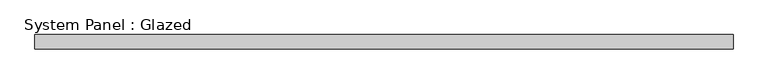
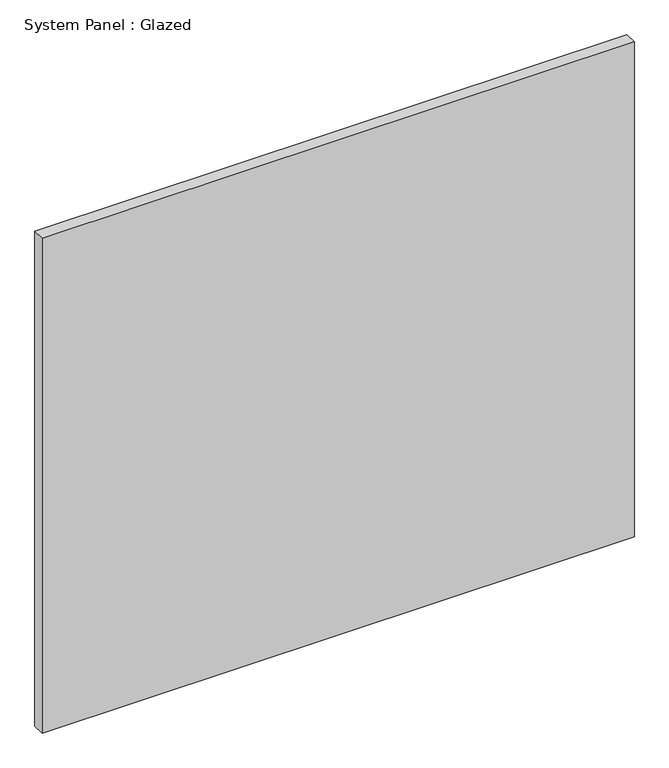
"""IFC4 building model written with IfcOpenShell, lengths in millimetres: plate geometry, System Panel : Glazed."""

import ifcopenshell
import ifcopenshell.guid

model = None  # the IFC model being written
_history = None  # IfcOwnerHistory: only IFC2X3 demands one
_inside = {}  # id of a spatial element -> (the spatial element, [elements in it])
_under = {}  # id of a project, library or spatial element -> (it, [spatial elements below it])
_declared = {}  # id of a project -> (the project, [libraries it declares])
_typed = {}  # id of a type object -> (the type object, [elements of that type])
_made_of = {}  # id of a material, layer set ... -> (it, [elements and type objects made of it])


def new_model(schema):
    """Start an empty IFC model of exactly this schema.

    Asked for "IFC4X3", IfcOpenShell would pick the latest addendum, in which some entities
    have other attributes; the version numbers below select the first issue.
    IFC2X3 requires an IfcOwnerHistory on every rooted entity: one is made here for all.
    """
    global model, _history
    if schema == "IFC4X3":
        model = ifcopenshell.file(schema_version=(4, 3, 0, 0))
    else:
        model = ifcopenshell.file(schema=schema)
    _inside.clear()
    _under.clear()
    _declared.clear()
    _typed.clear()
    _made_of.clear()
    _history = None
    if model.schema == "IFC2X3":
        org = make("IfcOrganization", Name="unknown")
        user = make(
            "IfcPersonAndOrganization",
            ThePerson=make("IfcPerson", FamilyName="unknown"),
            TheOrganization=org,
        )
        app = make(
            "IfcApplication",
            ApplicationDeveloper=org,
            Version="unknown",
            ApplicationFullName="unknown",
            ApplicationIdentifier="unknown",
        )
        _history = make(
            "IfcOwnerHistory",
            OwningUser=user,
            OwningApplication=app,
            ChangeAction="ADDED",
            CreationDate=0,
        )
    return model


def make(cls, **values):
    """One entity of the class cls with the attributes given. An attribute that is None is left unset."""
    return model.create_entity(
        cls, **{name: value for name, value in values.items() if value is not None}
    )


def rooted(cls, **values):
    """An entity with a GlobalId (a new one), such as an element, a storey or a relation."""
    return make(cls, GlobalId=ifcopenshell.guid.new(), OwnerHistory=_history, **values)


def si_unit(unit_type, name, prefix=None):
    """IfcSIUnit, for example si_unit("LENGTHUNIT", "METRE", prefix="MILLI")."""
    return make("IfcSIUnit", UnitType=unit_type, Prefix=prefix, Name=name)


def assignment(units):
    """IfcUnitAssignment: the units of a project."""
    return None if units is None else make("IfcUnitAssignment", Units=units)


def point(xyz):
    """IfcCartesianPoint."""
    return None if xyz is None else make("IfcCartesianPoint", Coordinates=xyz)


def direction(xyz):
    """IfcDirection."""
    return None if xyz is None else make("IfcDirection", DirectionRatios=xyz)


def frame(location, z_axis=None, x_axis=None):
    """IfcAxis2Placement3D, a coordinate frame: its origin and axes. An axis left out is left unset."""
    return make(
        "IfcAxis2Placement3D",
        Location=point(location),
        Axis=direction(z_axis),
        RefDirection=direction(x_axis),
    )


def origin():
    """The frame at (0, 0, 0) with its axes left unset."""
    return frame((0.0, 0.0, 0.0))


def origin_with_axes():
    """The frame at (0, 0, 0) with the z axis (0, 0, 1) and the x axis (1, 0, 0) written out."""
    return frame((0.0, 0.0, 0.0), z_axis=(0.0, 0.0, 1.0), x_axis=(1.0, 0.0, 0.0))


def place(relative_to, where):
    """IfcLocalPlacement: puts the frame where relative to a parent placement (None: the world)."""
    return make(
        "IfcLocalPlacement", PlacementRelTo=relative_to, RelativePlacement=where
    )


def context(
    kind, dimensions, precision=None, world=None, true_north=None, identifier=None
):
    """IfcGeometricRepresentationContext, for example the 3D "Model" context."""
    return make(
        "IfcGeometricRepresentationContext",
        ContextIdentifier=identifier,
        ContextType=kind,
        CoordinateSpaceDimension=dimensions,
        Precision=precision,
        WorldCoordinateSystem=world,
        TrueNorth=true_north,
    )


def project(units=None, contexts=None):
    """IfcProject with its units and contexts."""
    return rooted(
        "IfcProject",
        Name="project",
        RepresentationContexts=contexts,
        UnitsInContext=assignment(units),
    )


def spatial(cls, under=None, at=None, **own):
    """A site, building, storey or space (cls), placed at a placement, below another one or the project."""
    s = rooted(cls, ObjectPlacement=at, **own)
    if under is not None:
        _under.setdefault(under.id(), (under, []))[1].append(s)
    return s


def polyline(points):
    """IfcPolyline through the points."""
    return make("IfcPolyline", Points=[point(p) for p in points])


def outline(outer, holes=None, kind="AREA"):
    """IfcArbitraryClosedProfileDef: a profile drawn as a closed curve; with holes, ...WithVoids."""
    if holes is None:
        return make("IfcArbitraryClosedProfileDef", ProfileType=kind, OuterCurve=outer)
    return make(
        "IfcArbitraryProfileDefWithVoids",
        ProfileType=kind,
        OuterCurve=outer,
        InnerCurves=holes,
    )


def extrude(swept, where, along, depth):
    """IfcExtrudedAreaSolid: the profile swept, set in the frame where, extruded along a direction by depth."""
    return make(
        "IfcExtrudedAreaSolid",
        SweptArea=swept,
        Position=where,
        ExtrudedDirection=direction(along),
        Depth=depth,
    )


def shape(context_of_items, identifier, shape_type, items):
    """IfcShapeRepresentation: the items that make up one representation, for example the "Body"."""
    return make(
        "IfcShapeRepresentation",
        ContextOfItems=context_of_items,
        RepresentationIdentifier=identifier,
        RepresentationType=shape_type,
        Items=items,
    )


def source(mapping_origin, context_of_items, identifier, shape_type, items):
    """IfcRepresentationMap: a shape defined once, which mapped items show again and again."""
    return make(
        "IfcRepresentationMap",
        MappingOrigin=mapping_origin,
        MappedRepresentation=shape(context_of_items, identifier, shape_type, items),
    )


def transform(
    local_origin,
    x_axis=None,
    y_axis=None,
    z_axis=None,
    scale=None,
    scale2=None,
    scale3=None,
    uniform=True,
):
    """IfcCartesianTransformationOperator3D, or its non-uniform kind. x_axis, y_axis, z_axis: its Axis1, 2, 3."""
    if uniform:
        return make(
            "IfcCartesianTransformationOperator3D",
            Axis1=direction(x_axis),
            Axis2=direction(y_axis),
            LocalOrigin=point(local_origin),
            Scale=scale,
            Axis3=direction(z_axis),
        )
    return make(
        "IfcCartesianTransformationOperator3DnonUniform",
        Axis1=direction(x_axis),
        Axis2=direction(y_axis),
        LocalOrigin=point(local_origin),
        Scale=scale,
        Axis3=direction(z_axis),
        Scale2=scale2,
        Scale3=scale3,
    )


def mapped(mapping_source, mapping_target):
    """IfcMappedItem: shows the shape of a source again, moved by a transform."""
    return make(
        "IfcMappedItem", MappingSource=mapping_source, MappingTarget=mapping_target
    )


def made_of(thing, what):
    """Note that an element or type object is made of a material, layer set ...; save() writes the relation."""
    if what is not None:
        _made_of.setdefault(what.id(), (what, []))[1].append(thing)
    return thing


def element(
    cls,
    number,
    at=None,
    inside=None,
    cuts=None,
    type_object=None,
    material=None,
    context=None,
    identifier="Body",
    shape_type=None,
    held_by="IfcProductDefinitionShape",
    body=None,
    shapes=None,
    **own,
):
    """One element of the class cls, such as IfcWall. Its Tag is "e" and its number.

    at: its placement. inside: the storey or other place that contains it. cuts: it is an
    opening in that element (IfcRelVoidsElement). A single representation is given by context,
    identifier, shape_type and body (its items); several are given by shapes. held_by: the class
    of the entity that holds the representations. save() writes the other relations.
    """
    e = rooted(cls, Tag="e%d" % number, ObjectPlacement=at, **own)
    if body is not None:
        shapes = [shape(context, identifier, shape_type, body)]
    if shapes is not None:
        e.Representation = make(held_by, Representations=shapes)
    if inside is not None:
        _inside.setdefault(inside.id(), (inside, []))[1].append(e)
    if cuts is not None:
        rooted(
            "IfcRelVoidsElement", RelatingBuildingElement=cuts, RelatedOpeningElement=e
        )
    if type_object is not None:
        _typed.setdefault(type_object.id(), (type_object, []))[1].append(e)
    return made_of(e, material)


def aggregate(whole, parts):
    """IfcRelAggregates: a whole, such as a stair, and the parts it consists of."""
    return rooted("IfcRelAggregates", RelatingObject=whole, RelatedObjects=parts)


def save(model, path):
    """Write the relations noted so far, then the file.

    IfcRelAggregates (storeys below a building ...), IfcRelContainedInSpatialStructure (elements
    in a storey), IfcRelDefinesByType, IfcRelAssociatesMaterial and IfcRelDeclares: one each for
    every whole, place, type object, material and project.
    """
    for whole, parts in _under.values():
        aggregate(whole, parts)
    for where, things in _inside.values():
        rooted(
            "IfcRelContainedInSpatialStructure",
            RelatedElements=things,
            RelatingStructure=where,
        )
    for kind, things in _typed.values():
        rooted("IfcRelDefinesByType", RelatedObjects=things, RelatingType=kind)
    for what, things in _made_of.values():
        rooted("IfcRelAssociatesMaterial", RelatedObjects=things, RelatingMaterial=what)
    for by, libraries in _declared.values():
        rooted("IfcRelDeclares", RelatingContext=by, RelatedDefinitions=libraries)
    model.write(path)


def system_panel_glazed_48f680fa(model_context):
    return source(origin(), model_context, "Body", "SweptSolid", [
        extrude(outline(polyline([(611.4840124, -12.7), (-611.4840124, -12.7), (-611.4840124, 12.7), (611.4840124, 12.7), (611.4840124, -12.7)])), origin_with_axes(), (0.0, 0.0, 1.0), 1080.0),
    ])


if __name__ == "__main__":
    model = new_model("IFC4")
    model_context = context("Model", 3, world=origin())
    ifc_project = project(units=[si_unit("LENGTHUNIT", "METRE", prefix="MILLI")], contexts=[model_context])
    site = spatial("IfcSite", under=ifc_project)
    building = spatial("IfcBuilding", under=site)
    placement = place(None, origin())
    system_panel_glazed_shape = system_panel_glazed_48f680fa(model_context)
    element("IfcPlate", 1, ObjectType="System Panel : Glazed", at=placement, inside=building, context=model_context, shape_type="MappedRepresentation", body=[
        mapped(system_panel_glazed_shape, transform((0.0, 0.0, 0.0), x_axis=(1.0, 0.0, 0.0), y_axis=(0.0, 1.0, 0.0), z_axis=(0.0, 0.0, 1.0))),
    ])
    save(model, "model.ifc")
